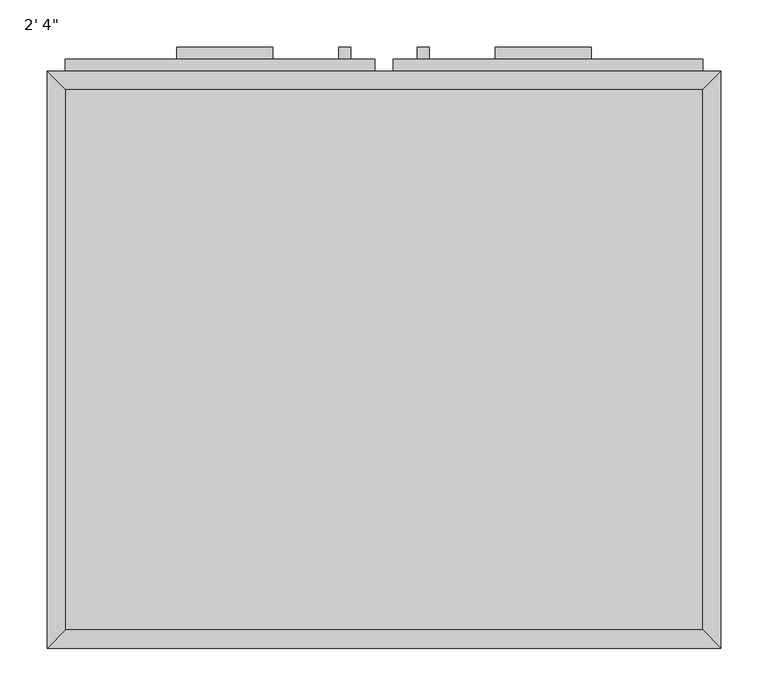
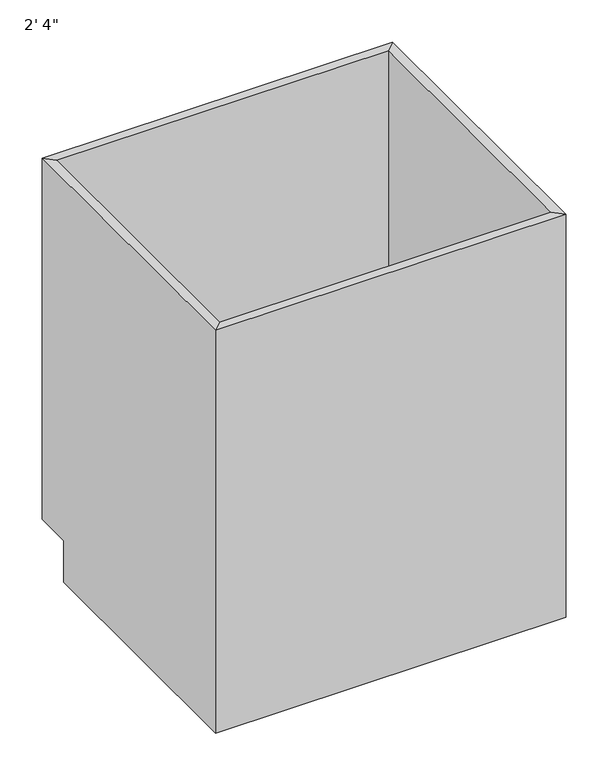
"""IFC4 building model written with IfcOpenShell, lengths in millimetres: furniture geometry."""

from ifc_helpers import new_model, si_unit, frame, origin, place, context, project, spatial, polyline, outline, extrude, faceted_brep, source, transform, mapped, element, save


def furniture_760dd529(model_context):
    return source(origin(), model_context, "Body", "SolidModel", [
        faceted_brep([(355.2877049, 590.55, 863.6), (-317.8122951, 590.55, 863.6), (-317.8122951, 590.55, 88.9), (355.2877049, 590.55, 88.9), (374.3377049, 609.6, 863.6), (-336.8622951, 609.6, 863.6), (374.3377049, 609.6, 88.9), (-336.8622951, 609.6, 88.9), (-317.8122951, 19.05, 863.6), (-317.8122951, 19.05, 88.9), (-317.8122951, 533.4, 88.9), (-336.8622951, 0.0, 863.6), (-336.8622951, 533.4, 88.9), (-336.8622951, 533.4, 0.0), (-336.8622951, 0.0, 0.0), (355.2877049, 19.05, 863.6), (355.2877049, 19.05, 88.9), (374.3377049, 0.0, 863.6), (374.3377049, 0.0, 0.0), (355.2877049, 533.4, 88.9), (374.3377049, 533.4, 0.0), (374.3377049, 533.4, 88.9)], [[[0, 1, 2, 3]], [[0, 4, 5, 1]], [[4, 6, 7, 5]], [[2, 7, 6, 3]], [[1, 8, 9, 10, 2]], [[5, 11, 8, 1]], [[7, 12, 13, 14, 11, 5]], [[2, 10, 12, 7]], [[8, 15, 16, 9]], [[11, 17, 15, 8]], [[14, 18, 17, 11]], [[3, 19, 16, 15, 0]], [[0, 15, 17, 4]], [[4, 17, 18, 20, 21, 6]], [[6, 21, 19, 3]], [[10, 9, 16, 19]], [[18, 14, 13, 20]], [[13, 12, 10, 19, 21, 20]]]),
        extrude(outline(polyline([(-98.7372951, 635.0), (-98.7372951, 622.3), (-200.3372951, 622.3), (-200.3372951, 635.0), (-98.7372951, 635.0)])), frame((0.0, 0.0, 806.45), z_axis=(0.0, 0.0, 1.0), x_axis=(1.0, 0.0, 0.0)), (0.0, 0.0, 1.0), 12.7),
        extrude(outline(polyline([(237.8127049, 635.0), (237.8127049, 622.3), (136.2127049, 622.3), (136.2127049, 635.0), (237.8127049, 635.0)])), frame((0.0, 0.0, 806.45), z_axis=(0.0, 0.0, 1.0), x_axis=(1.0, 0.0, 0.0)), (0.0, 0.0, 1.0), 12.7),
        extrude(outline(polyline([(-16.1872951, 635.0), (-16.1872951, 622.3), (-28.8872951, 622.3), (-28.8872951, 635.0), (-16.1872951, 635.0)])), frame((0.0, 0.0, 584.2), z_axis=(0.0, 0.0, 1.0), x_axis=(1.0, 0.0, 0.0)), (0.0, 0.0, 1.0), 101.6),
        extrude(outline(polyline([(66.3627049, 635.0), (66.3627049, 622.3), (53.6627049, 622.3), (53.6627049, 635.0), (66.3627049, 635.0)])), frame((0.0, 0.0, 584.2), z_axis=(0.0, 0.0, 1.0), x_axis=(1.0, 0.0, 0.0)), (0.0, 0.0, 1.0), 101.6),
        extrude(outline(polyline([(355.2877049, 19.05), (-317.8122951, 19.05), (-317.8122951, 590.55), (355.2877049, 590.55), (355.2877049, 19.05)])), frame((0.0, 0.0, 88.9), z_axis=(0.0, 0.0, 1.0), x_axis=(1.0, 0.0, 0.0)), (0.0, 0.0, 1.0), 19.05),
        extrude(outline(polyline([(9.2127049, 622.3), (9.2127049, 609.6), (-317.8122951, 609.6), (-317.8122951, 622.3), (9.2127049, 622.3)])), frame((0.0, 0.0, 742.95), z_axis=(0.0, 0.0, 1.0), x_axis=(1.0, 0.0, 0.0)), (0.0, 0.0, 1.0), 101.6),
        extrude(outline(polyline([(355.2877049, 622.3), (355.2877049, 609.6), (28.2627049, 609.6), (28.2627049, 622.3), (355.2877049, 622.3)])), frame((0.0, 0.0, 742.95), z_axis=(0.0, 0.0, 1.0), x_axis=(1.0, 0.0, 0.0)), (0.0, 0.0, 1.0), 101.6),
        extrude(outline(polyline([(9.2127049, 622.3), (9.2127049, 609.6), (-317.8122951, 609.6), (-317.8122951, 622.3), (9.2127049, 622.3)])), frame((0.0, 0.0, 107.95), z_axis=(0.0, 0.0, 1.0), x_axis=(1.0, 0.0, 0.0)), (0.0, 0.0, 1.0), 615.95),
        extrude(outline(polyline([(355.2877049, 622.3), (355.2877049, 609.6), (28.2627049, 609.6), (28.2627049, 622.3), (355.2877049, 622.3)])), frame((0.0, 0.0, 107.95), z_axis=(0.0, 0.0, 1.0), x_axis=(1.0, 0.0, 0.0)), (0.0, 0.0, 1.0), 615.95),
    ])


if __name__ == "__main__":
    model = new_model("IFC4")
    model_context = context("Model", 3, world=origin())
    ifc_project = project(units=[si_unit("LENGTHUNIT", "METRE", prefix="MILLI")], contexts=[model_context])
    site = spatial("IfcSite", under=ifc_project)
    building = spatial("IfcBuilding", under=site)
    placement = place(None, origin())
    furniture_shape = furniture_760dd529(model_context)
    element("IfcFurniture", 1, ObjectType="2' 4\"", at=placement, inside=building, context=model_context, shape_type="MappedRepresentation", body=[
        mapped(furniture_shape, transform((0.0, 0.0, 0.0), x_axis=(1.0, 0.0, 0.0), y_axis=(0.0, 1.0, 0.0), z_axis=(0.0, 0.0, 1.0))),
    ])
    save(model, "model.ifc")
